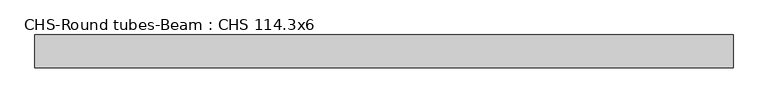
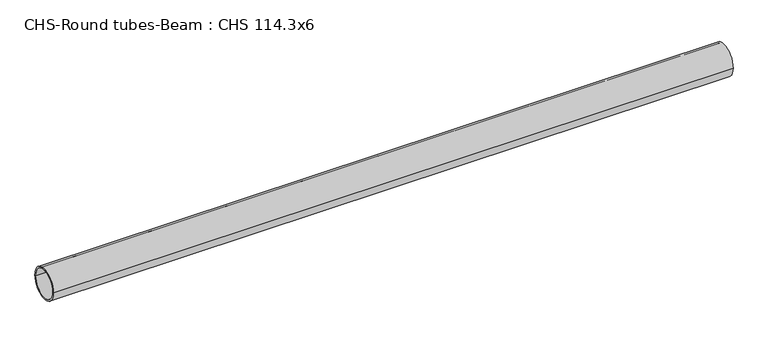
"""IFC4 building model written with IfcOpenShell, lengths in millimetres: beam geometry, CHS-Round tubes-Beam : CHS 114.3x6."""

from ifc_helpers import new_model, si_unit, point, frame, origin, origin_2d, place, context, project, spatial, circle_curve, trimmed, segment, composite_curve, outline, extrude, source, transform, mapped, element, save


def chs_round_tubes_beam_chs_114_3x6_b8daa201(model_context):
    return source(origin(), model_context, "Body", "SweptSolid", [
        extrude(outline(composite_curve([segment(trimmed(circle_curve(origin_2d(), 57.15), [point((57.15, 0.0))], [point((-57.15, 0.0))], False, "CARTESIAN"), True, "CONTINUOUS"), segment(trimmed(circle_curve(origin_2d(), 57.15), [point((-57.15, 0.0))], [point((57.15, 0.0))], False, "CARTESIAN"), True, "CONTINUOUS")], self_intersect=False), holes=[composite_curve([segment(trimmed(circle_curve(origin_2d(), 51.15), [point((51.15, 0.0))], [point((-51.15, 0.0))], True, "CARTESIAN"), True, "CONTINUOUS"), segment(trimmed(circle_curve(origin_2d(), 51.15), [point((-51.15, 0.0))], [point((51.15, 0.0))], True, "CARTESIAN"), True, "CONTINUOUS")], self_intersect=False)]), frame((-1160.0036894, 0.0, 0.0), z_axis=(1.0, 0.0, 0.0), x_axis=(0.0, 1.0, 0.0)), (0.0, 0.0, 1.0), 2438.9576397),
    ])


if __name__ == "__main__":
    model = new_model("IFC4")
    model_context = context("Model", 3, world=origin())
    ifc_project = project(units=[si_unit("LENGTHUNIT", "METRE", prefix="MILLI")], contexts=[model_context])
    site = spatial("IfcSite", under=ifc_project)
    building = spatial("IfcBuilding", under=site)
    placement = place(None, origin())
    chs_round_tubes_beam_chs_114_3x6_shape = chs_round_tubes_beam_chs_114_3x6_b8daa201(model_context)
    element("IfcBeam", 1, ObjectType="CHS-Round tubes-Beam : CHS 114.3x6", at=placement, inside=building, context=model_context, shape_type="MappedRepresentation", body=[
        mapped(chs_round_tubes_beam_chs_114_3x6_shape, transform((0.0, 0.0, 0.0), x_axis=(1.0, 0.0, 0.0), y_axis=(0.0, 1.0, 0.0), z_axis=(0.0, 0.0, 1.0))),
    ])
    save(model, "model.ifc")
